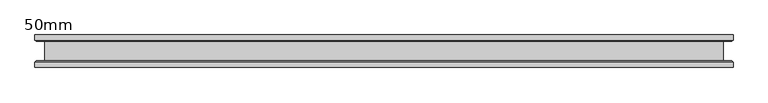
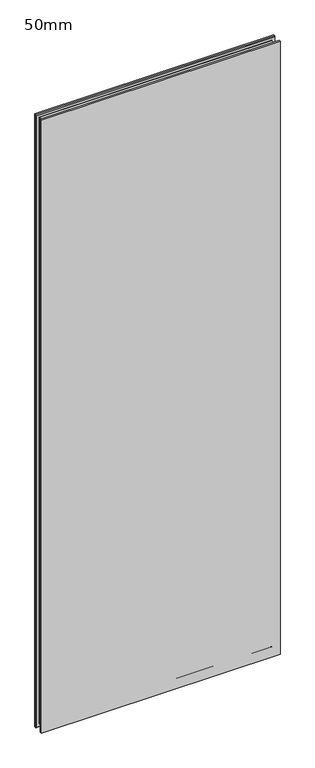
"""IFC4 building model written with IfcOpenShell, lengths in millimetres: plate geometry, 50mm."""

from ifc_helpers import new_model, si_unit, frame, origin, place, context, project, spatial, polyline, ellipse_curve, source, transform, mapped, element, save
from ifc_brep_helpers import plane_surface, revolved_surface, advanced_brep


def plate_50mm_7fa11bd7(model_context):
    return source(origin(), model_context, "Body", "AdvancedBrep", [
        advanced_brep(
        [(536.9017496, 25.0, 2900.0), (-536.9017496, 25.0, 2900.0), (-536.9017496, 17.0, 2900.0), (536.9017496, 17.0, 2900.0), (-536.9017496, -25.0, 2900.0), (536.9017496, -25.0, 2900.0), (536.9017496, -17.0, 2900.0), (-536.9017496, -17.0, 2900.0), (536.9017496, -25.0, -13.5), (-536.9017496, -25.0, -13.5), (-536.9017496, -17.0, -13.5), (536.9017496, -17.0, -13.5), (-536.9017496, 25.0, -13.5), (536.9017496, 25.0, -13.5), (536.9017496, 17.0, -13.5), (-536.9017496, 17.0, -13.5), (-534.9017496, -15.0, -11.5), (534.9017496, -15.0, -11.5), (-521.9017496, -14.4, 1.5), (521.9017496, -14.4, 1.5), (522.5017496, -15.0, 0.9), (-522.5017496, -15.0, 0.9), (-521.9017496, 14.4, 1.5), (521.9017496, 14.4, 1.5), (-522.5017496, 15.0, 0.9), (522.5017496, 15.0, 0.9), (534.9017496, 15.0, -11.5), (-534.9017496, 15.0, -11.5), (534.9017496, -15.0, 2898.0), (521.9017496, -14.4, 2885.0), (522.5017496, -15.0, 2885.6), (521.9017496, 14.4, 2885.0), (522.5017496, 15.0, 2885.6), (534.9017496, 15.0, 2898.0), (-534.9017496, -15.0, 2898.0), (-521.9017496, -14.4, 2885.0), (-522.5017496, -15.0, 2885.6), (-521.9017496, 14.4, 2885.0), (-522.5017496, 15.0, 2885.6), (-534.9017496, 15.0, 2898.0)],
        [
            (0, 1),
            (1, 2),
            (2, 3),
            (3, 0),
            (4, 5),
            (5, 6),
            (6, 7),
            (7, 4),
            (8, 9),
            (9, 10),
            (10, 11),
            (11, 8),
            (12, 13),
            (13, 14),
            (14, 15),
            (15, 12),
            (0, 13),
            (12, 1),
            (15, 2),
            (9, 4),
            (7, 10),
            (8, 5),
            (3, 14),
            (11, 6),
            (16, 17),
            (17, 11),
            (10, 16),
            (18, 19),
            (19, 20, ellipse_curve(frame((522.5017496, -14.4, 0.9), z_axis=(0.7071067811865475, 0.0, 0.7071067811865475), x_axis=(-0.7071067811865476, 0.0, 0.7071067811865474)), 0.8485281, 0.6)),
            (20, 21),
            (21, 18, ellipse_curve(frame((-522.5017496, -14.4, 0.9), z_axis=(-0.7071067811865475, 0.0, 0.7071067811865475), x_axis=(-0.7071067811865476, 0.0, -0.7071067811865474)), 0.8485281, 0.6)),
            (18, 22),
            (22, 23),
            (23, 19),
            (22, 24, ellipse_curve(frame((-522.5017496, 14.4, 0.9), z_axis=(-0.7071067811865475, 0.0, 0.7071067811865475), x_axis=(-0.7071067811865476, 0.0, -0.7071067811865474)), 0.8485281, 0.6)),
            (24, 25),
            (25, 23, ellipse_curve(frame((522.5017496, 14.4, 0.9), z_axis=(0.7071067811865475, 0.0, 0.7071067811865475), x_axis=(-0.7071067811865476, 0.0, 0.7071067811865474)), 0.8485281, 0.6)),
            (14, 26),
            (26, 27),
            (27, 15),
            (17, 28),
            (28, 6),
            (19, 29),
            (29, 30, ellipse_curve(frame((522.5017496, -14.4, 2885.6), z_axis=(-0.7071067811865475, 0.0, 0.7071067811865475), x_axis=(-0.7071067811865474, 0.0, -0.7071067811865476)), 0.8485281, 0.6)),
            (30, 20),
            (23, 31),
            (31, 29),
            (25, 32),
            (32, 31, ellipse_curve(frame((522.5017496, 14.4, 2885.6), z_axis=(-0.7071067811865475, 0.0, 0.7071067811865475), x_axis=(-0.7071067811865474, 0.0, -0.7071067811865476)), 0.8485281, 0.6)),
            (3, 33),
            (33, 26),
            (28, 34),
            (34, 7),
            (29, 35),
            (35, 36, ellipse_curve(frame((-522.5017496, -14.4, 2885.6), z_axis=(-0.7071067811865475, 0.0, -0.7071067811865475), x_axis=(0.7071067811865476, 0.0, -0.7071067811865474)), 0.8485281, 0.6)),
            (36, 30),
            (31, 37),
            (37, 35),
            (32, 38),
            (38, 37, ellipse_curve(frame((-522.5017496, 14.4, 2885.6), z_axis=(-0.7071067811865475, 0.0, -0.7071067811865475), x_axis=(0.7071067811865476, 0.0, -0.7071067811865474)), 0.8485281, 0.6)),
            (2, 39),
            (39, 33),
            (34, 16),
            (36, 21),
            (35, 18),
            (37, 22),
            (38, 24),
            (39, 27),
        ],
        [
            plane_surface(frame((-536.9017496, 25.0, 2900.0), z_axis=(0.0, 0.0, 1.0), x_axis=(-1.0, 0.0, 0.0))),
            plane_surface(frame((-536.9017496, 25.0, -13.5), z_axis=(0.0, 0.0, -1.0), x_axis=(1.0, 0.0, 0.0))),
            plane_surface(frame((536.9017496, 25.0, 2900.0), z_axis=(0.0, 1.0, 0.0), x_axis=(0.0, 0.0, -1.0))),
            plane_surface(frame((-536.9017496, 25.0, 2900.0), z_axis=(-1.0, 0.0, 0.0), x_axis=(0.0, 0.0, -1.0))),
            plane_surface(frame((-536.9017496, -25.0, 2900.0), z_axis=(0.0, -1.0, 0.0), x_axis=(0.0, 0.0, -1.0))),
            plane_surface(frame((536.9017496, -25.0, 2900.0), z_axis=(1.0, 0.0, 0.0), x_axis=(0.0, 0.0, -1.0))),
            plane_surface(frame((-536.9017496, -17.0, -13.5), z_axis=(0.0, 0.7071067811866751, -0.7071067811864199), x_axis=(1.0, 0.0, 0.0))),
            revolved_surface(polyline([(-523.1017495735374, -14.400000000002729, 1.5), (523.1017495735374, -14.400000000002729, 1.5)]), (-523.4017496, -14.4, 0.9), (-1.0, 0.0, 0.0)),
            plane_surface(frame((-521.9017496, -14.4, 1.5), z_axis=(0.0, 0.0, -1.0), x_axis=(1.0, 0.0, 0.0))),
            revolved_surface(polyline([(-523.1017495735374, 15.0, 0.9), (523.1017495735374, 15.0, 0.9)]), (-523.4017496, 14.4, 0.9), (-1.0, 0.0, 0.0)),
            plane_surface(frame((-534.9017496, 15.0, -11.5), z_axis=(0.0, -0.7071067811660012, -0.7071067812070939), x_axis=(1.0, 0.0, 0.0))),
            plane_surface(frame((536.9017496, -17.0, -13.5), z_axis=(0.7071067811864199, 0.7071067811866751, 0.0), x_axis=(0.0, 0.0, 1.0))),
            revolved_surface(polyline([(521.9017496, -14.400000000002729, 0.3000000264626632), (521.9017496, -14.400000000002729, 2886.199999973537)]), (522.5017496, -14.4, 0.0), (0.0, 0.0, -1.0)),
            plane_surface(frame((521.9017496, -14.4, 1.5), z_axis=(1.0, 0.0, 0.0), x_axis=(0.0, 0.0, 1.0))),
            revolved_surface(polyline([(522.5017496, 15.0, 0.3000000264626632), (522.5017496, 15.0, 2886.199999973537)]), (522.5017496, 14.4, 0.0), (0.0, 0.0, -1.0)),
            plane_surface(frame((534.9017496, 15.0, -11.5), z_axis=(0.7071067812070939, -0.7071067811660012, 0.0), x_axis=(0.0, 0.0, 1.0))),
            plane_surface(frame((536.9017496, -17.0, 2900.0), z_axis=(0.0, 0.7071067811866751, 0.7071067811864199), x_axis=(-1.0, 0.0, 0.0))),
            revolved_surface(polyline([(523.1017495735374, -14.400000000002729, 2885.0), (-523.1017495735374, -14.400000000002729, 2885.0)]), (523.4017496, -14.4, 2885.6), (1.0, 0.0, 0.0)),
            plane_surface(frame((521.9017496, -14.4, 2885.0), z_axis=(0.0, 0.0, 1.0), x_axis=(-1.0, 0.0, 0.0))),
            revolved_surface(polyline([(523.1017495735374, 15.0, 2885.6), (-523.1017495735374, 15.0, 2885.6)]), (523.4017496, 14.4, 2885.6), (1.0, 0.0, 0.0)),
            plane_surface(frame((534.9017496, 15.0, 2898.0), z_axis=(0.0, -0.7071067811660012, 0.7071067812070939), x_axis=(-1.0, 0.0, 0.0))),
            plane_surface(frame((-536.9017496, -17.0, 2900.0), z_axis=(-0.7071067811864199, 0.7071067811866751, 0.0), x_axis=(0.0, 0.0, -1.0))),
            plane_surface(frame((-534.9017496, -15.0, 2898.0), z_axis=(0.0, 1.0, 0.0), x_axis=(0.0, 0.0, -1.0))),
            revolved_surface(polyline([(-521.9017496, -14.400000000002729, 2886.199999973537), (-521.9017496, -14.400000000002729, 0.30000002646283974)]), (-522.5017496, -14.4, 2886.5), (0.0, 0.0, 1.0)),
            plane_surface(frame((-521.9017496, -14.4, 2885.0), z_axis=(-1.0, 0.0, 0.0), x_axis=(0.0, 0.0, -1.0))),
            revolved_surface(polyline([(-522.5017496, 15.0, 2886.199999973537), (-522.5017496, 15.0, 0.30000002646283974)]), (-522.5017496, 14.4, 2886.5), (0.0, 0.0, 1.0)),
            plane_surface(frame((-522.5017496, 15.0, 2885.6), z_axis=(0.0, -1.0, 0.0), x_axis=(0.0, 0.0, -1.0))),
            plane_surface(frame((-534.9017496, 15.0, 2898.0), z_axis=(-0.7071067812070939, -0.7071067811660012, 0.0), x_axis=(0.0, 0.0, -1.0))),
        ],
        [
            (0, [[1, 2, 3, 4]]),
            (0, [[5, 6, 7, 8]]),
            (1, [[9, 10, 11, 12]]),
            (1, [[13, 14, 15, 16]]),
            (2, [[-1, 17, -13, 18]]),
            (3, [[-18, -16, 19, -2]]),
            (3, [[20, -8, 21, -10]]),
            (4, [[-5, -20, -9, 22]]),
            (5, [[-17, -4, 23, -14]]),
            (5, [[-22, -12, 24, -6]]),
            (6, [[25, 26, -11, 27]]),
            (7, [[28, 29, 30, 31]]),
            (8, [[-28, 32, 33, 34]]),
            (9, [[-33, 35, 36, 37]]),
            (10, [[38, 39, 40, -15]]),
            (11, [[-26, 41, 42, -24]]),
            (12, [[-29, 43, 44, 45]]),
            (13, [[-34, 46, 47, -43]]),
            (14, [[-37, 48, 49, -46]]),
            (15, [[-38, -23, 50, 51]]),
            (16, [[-42, 52, 53, -7]]),
            (17, [[-44, 54, 55, 56]]),
            (18, [[-47, 57, 58, -54]]),
            (19, [[-49, 59, 60, -57]]),
            (20, [[-50, -3, 61, 62]]),
            (21, [[-27, -21, -53, 63]]),
            (22, [[-25, -63, -52, -41], [-30, -45, -56, 64]]),
            (23, [[-31, -64, -55, 65]]),
            (24, [[-32, -65, -58, 66]]),
            (25, [[-35, -66, -60, 67]]),
            (26, [[-39, -51, -62, 68], [-36, -67, -59, -48]]),
            (27, [[-40, -68, -61, -19]]),
        ],
    ),
    ])


if __name__ == "__main__":
    model = new_model("IFC4")
    model_context = context("Model", 3, world=origin())
    ifc_project = project(units=[si_unit("LENGTHUNIT", "METRE", prefix="MILLI")], contexts=[model_context])
    site = spatial("IfcSite", under=ifc_project)
    building = spatial("IfcBuilding", under=site)
    placement = place(None, origin())
    plate_50mm_shape = plate_50mm_7fa11bd7(model_context)
    element("IfcPlate", 1, ObjectType="50mm", at=placement, inside=building, context=model_context, shape_type="MappedRepresentation", body=[
        mapped(plate_50mm_shape, transform((0.0, 0.0, 0.0), x_axis=(1.0, 0.0, 0.0), y_axis=(0.0, 1.0, 0.0), z_axis=(0.0, 0.0, 1.0))),
    ])
    save(model, "model.ifc")
